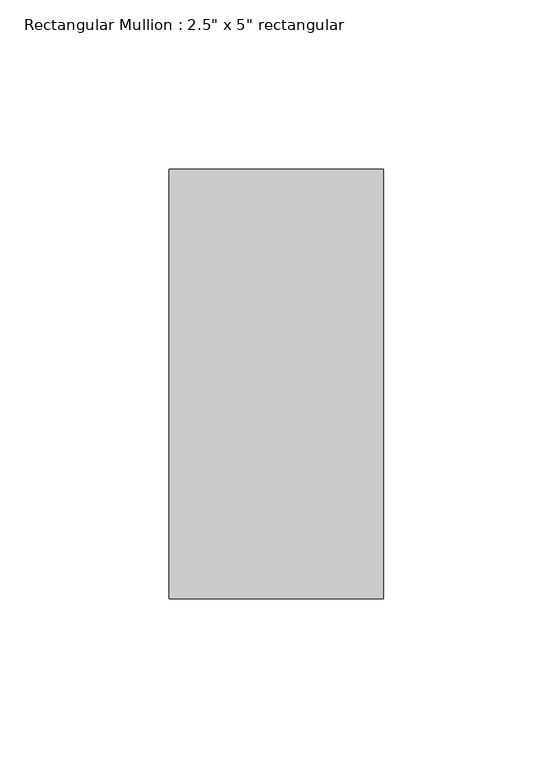
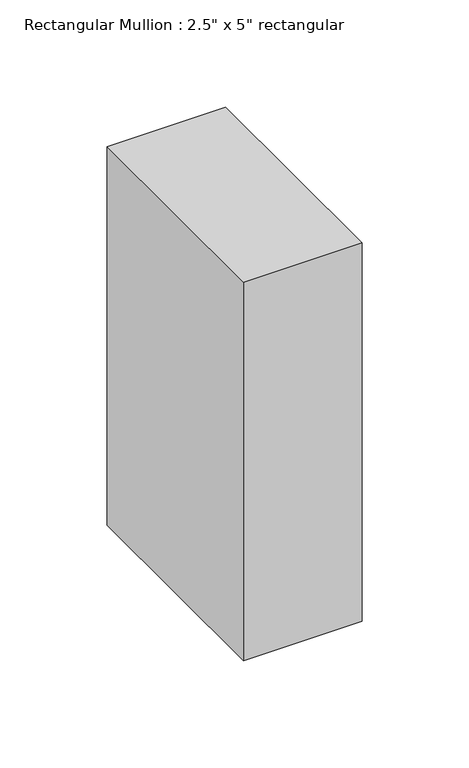
"""IFC4 building model written with IfcOpenShell, lengths in millimetres: member geometry."""

import ifcopenshell
import ifcopenshell.guid

model = None  # the IFC model being written
_history = None  # IfcOwnerHistory: only IFC2X3 demands one
_inside = {}  # id of a spatial element -> (the spatial element, [elements in it])
_under = {}  # id of a project, library or spatial element -> (it, [spatial elements below it])
_declared = {}  # id of a project -> (the project, [libraries it declares])
_typed = {}  # id of a type object -> (the type object, [elements of that type])
_made_of = {}  # id of a material, layer set ... -> (it, [elements and type objects made of it])


def new_model(schema):
    """Start an empty IFC model of exactly this schema.

    Asked for "IFC4X3", IfcOpenShell would pick the latest addendum, in which some entities
    have other attributes; the version numbers below select the first issue.
    IFC2X3 requires an IfcOwnerHistory on every rooted entity: one is made here for all.
    """
    global model, _history
    if schema == "IFC4X3":
        model = ifcopenshell.file(schema_version=(4, 3, 0, 0))
    else:
        model = ifcopenshell.file(schema=schema)
    _inside.clear()
    _under.clear()
    _declared.clear()
    _typed.clear()
    _made_of.clear()
    _history = None
    if model.schema == "IFC2X3":
        org = make("IfcOrganization", Name="unknown")
        user = make(
            "IfcPersonAndOrganization",
            ThePerson=make("IfcPerson", FamilyName="unknown"),
            TheOrganization=org,
        )
        app = make(
            "IfcApplication",
            ApplicationDeveloper=org,
            Version="unknown",
            ApplicationFullName="unknown",
            ApplicationIdentifier="unknown",
        )
        _history = make(
            "IfcOwnerHistory",
            OwningUser=user,
            OwningApplication=app,
            ChangeAction="ADDED",
            CreationDate=0,
        )
    return model


def make(cls, **values):
    """One entity of the class cls with the attributes given. An attribute that is None is left unset."""
    return model.create_entity(
        cls, **{name: value for name, value in values.items() if value is not None}
    )


def rooted(cls, **values):
    """An entity with a GlobalId (a new one), such as an element, a storey or a relation."""
    return make(cls, GlobalId=ifcopenshell.guid.new(), OwnerHistory=_history, **values)


def si_unit(unit_type, name, prefix=None):
    """IfcSIUnit, for example si_unit("LENGTHUNIT", "METRE", prefix="MILLI")."""
    return make("IfcSIUnit", UnitType=unit_type, Prefix=prefix, Name=name)


def assignment(units):
    """IfcUnitAssignment: the units of a project."""
    return None if units is None else make("IfcUnitAssignment", Units=units)


def point(xyz):
    """IfcCartesianPoint."""
    return None if xyz is None else make("IfcCartesianPoint", Coordinates=xyz)


def direction(xyz):
    """IfcDirection."""
    return None if xyz is None else make("IfcDirection", DirectionRatios=xyz)


def frame(location, z_axis=None, x_axis=None):
    """IfcAxis2Placement3D, a coordinate frame: its origin and axes. An axis left out is left unset."""
    return make(
        "IfcAxis2Placement3D",
        Location=point(location),
        Axis=direction(z_axis),
        RefDirection=direction(x_axis),
    )


def origin():
    """The frame at (0, 0, 0) with its axes left unset."""
    return frame((0.0, 0.0, 0.0))


def place(relative_to, where):
    """IfcLocalPlacement: puts the frame where relative to a parent placement (None: the world)."""
    return make(
        "IfcLocalPlacement", PlacementRelTo=relative_to, RelativePlacement=where
    )


def context(
    kind, dimensions, precision=None, world=None, true_north=None, identifier=None
):
    """IfcGeometricRepresentationContext, for example the 3D "Model" context."""
    return make(
        "IfcGeometricRepresentationContext",
        ContextIdentifier=identifier,
        ContextType=kind,
        CoordinateSpaceDimension=dimensions,
        Precision=precision,
        WorldCoordinateSystem=world,
        TrueNorth=true_north,
    )


def project(units=None, contexts=None):
    """IfcProject with its units and contexts."""
    return rooted(
        "IfcProject",
        Name="project",
        RepresentationContexts=contexts,
        UnitsInContext=assignment(units),
    )


def spatial(cls, under=None, at=None, **own):
    """A site, building, storey or space (cls), placed at a placement, below another one or the project."""
    s = rooted(cls, ObjectPlacement=at, **own)
    if under is not None:
        _under.setdefault(under.id(), (under, []))[1].append(s)
    return s


def polyline(points):
    """IfcPolyline through the points."""
    return make("IfcPolyline", Points=[point(p) for p in points])


def outline(outer, holes=None, kind="AREA"):
    """IfcArbitraryClosedProfileDef: a profile drawn as a closed curve; with holes, ...WithVoids."""
    if holes is None:
        return make("IfcArbitraryClosedProfileDef", ProfileType=kind, OuterCurve=outer)
    return make(
        "IfcArbitraryProfileDefWithVoids",
        ProfileType=kind,
        OuterCurve=outer,
        InnerCurves=holes,
    )


def extrude(swept, where, along, depth):
    """IfcExtrudedAreaSolid: the profile swept, set in the frame where, extruded along a direction by depth."""
    return make(
        "IfcExtrudedAreaSolid",
        SweptArea=swept,
        Position=where,
        ExtrudedDirection=direction(along),
        Depth=depth,
    )


def shape(context_of_items, identifier, shape_type, items):
    """IfcShapeRepresentation: the items that make up one representation, for example the "Body"."""
    return make(
        "IfcShapeRepresentation",
        ContextOfItems=context_of_items,
        RepresentationIdentifier=identifier,
        RepresentationType=shape_type,
        Items=items,
    )


def source(mapping_origin, context_of_items, identifier, shape_type, items):
    """IfcRepresentationMap: a shape defined once, which mapped items show again and again."""
    return make(
        "IfcRepresentationMap",
        MappingOrigin=mapping_origin,
        MappedRepresentation=shape(context_of_items, identifier, shape_type, items),
    )


def transform(
    local_origin,
    x_axis=None,
    y_axis=None,
    z_axis=None,
    scale=None,
    scale2=None,
    scale3=None,
    uniform=True,
):
    """IfcCartesianTransformationOperator3D, or its non-uniform kind. x_axis, y_axis, z_axis: its Axis1, 2, 3."""
    if uniform:
        return make(
            "IfcCartesianTransformationOperator3D",
            Axis1=direction(x_axis),
            Axis2=direction(y_axis),
            LocalOrigin=point(local_origin),
            Scale=scale,
            Axis3=direction(z_axis),
        )
    return make(
        "IfcCartesianTransformationOperator3DnonUniform",
        Axis1=direction(x_axis),
        Axis2=direction(y_axis),
        LocalOrigin=point(local_origin),
        Scale=scale,
        Axis3=direction(z_axis),
        Scale2=scale2,
        Scale3=scale3,
    )


def mapped(mapping_source, mapping_target):
    """IfcMappedItem: shows the shape of a source again, moved by a transform."""
    return make(
        "IfcMappedItem", MappingSource=mapping_source, MappingTarget=mapping_target
    )


def made_of(thing, what):
    """Note that an element or type object is made of a material, layer set ...; save() writes the relation."""
    if what is not None:
        _made_of.setdefault(what.id(), (what, []))[1].append(thing)
    return thing


def element(
    cls,
    number,
    at=None,
    inside=None,
    cuts=None,
    type_object=None,
    material=None,
    context=None,
    identifier="Body",
    shape_type=None,
    held_by="IfcProductDefinitionShape",
    body=None,
    shapes=None,
    **own,
):
    """One element of the class cls, such as IfcWall. Its Tag is "e" and its number.

    at: its placement. inside: the storey or other place that contains it. cuts: it is an
    opening in that element (IfcRelVoidsElement). A single representation is given by context,
    identifier, shape_type and body (its items); several are given by shapes. held_by: the class
    of the entity that holds the representations. save() writes the other relations.
    """
    e = rooted(cls, Tag="e%d" % number, ObjectPlacement=at, **own)
    if body is not None:
        shapes = [shape(context, identifier, shape_type, body)]
    if shapes is not None:
        e.Representation = make(held_by, Representations=shapes)
    if inside is not None:
        _inside.setdefault(inside.id(), (inside, []))[1].append(e)
    if cuts is not None:
        rooted(
            "IfcRelVoidsElement", RelatingBuildingElement=cuts, RelatedOpeningElement=e
        )
    if type_object is not None:
        _typed.setdefault(type_object.id(), (type_object, []))[1].append(e)
    return made_of(e, material)


def aggregate(whole, parts):
    """IfcRelAggregates: a whole, such as a stair, and the parts it consists of."""
    return rooted("IfcRelAggregates", RelatingObject=whole, RelatedObjects=parts)


def save(model, path):
    """Write the relations noted so far, then the file.

    IfcRelAggregates (storeys below a building ...), IfcRelContainedInSpatialStructure (elements
    in a storey), IfcRelDefinesByType, IfcRelAssociatesMaterial and IfcRelDeclares: one each for
    every whole, place, type object, material and project.
    """
    for whole, parts in _under.values():
        aggregate(whole, parts)
    for where, things in _inside.values():
        rooted(
            "IfcRelContainedInSpatialStructure",
            RelatedElements=things,
            RelatingStructure=where,
        )
    for kind, things in _typed.values():
        rooted("IfcRelDefinesByType", RelatedObjects=things, RelatingType=kind)
    for what, things in _made_of.values():
        rooted("IfcRelAssociatesMaterial", RelatedObjects=things, RelatingMaterial=what)
    for by, libraries in _declared.values():
        rooted("IfcRelDeclares", RelatingContext=by, RelatedDefinitions=libraries)
    model.write(path)


def member_e92e6fa7(model_context):
    return source(origin(), model_context, "Body", "SweptSolid", [
        extrude(outline(polyline([(0.0, 63.5), (0.0, -63.5), (-63.5, -63.5), (-63.5, 63.5), (0.0, 63.5)])), frame((0.0, 0.0, -214.9928571), z_axis=(0.0, 0.0, 1.0), x_axis=(1.0, 0.0, 0.0)), (0.0, 0.0, 1.0), 214.9928571),
    ])


if __name__ == "__main__":
    model = new_model("IFC4")
    model_context = context("Model", 3, world=origin())
    ifc_project = project(units=[si_unit("LENGTHUNIT", "METRE", prefix="MILLI")], contexts=[model_context])
    site = spatial("IfcSite", under=ifc_project)
    building = spatial("IfcBuilding", under=site)
    placement = place(None, origin())
    member_shape = member_e92e6fa7(model_context)
    element("IfcMember", 1, ObjectType="Rectangular Mullion : 2.5\" x 5\" rectangular", at=placement, inside=building, context=model_context, shape_type="MappedRepresentation", body=[
        mapped(member_shape, transform((0.0, 0.0, 0.0), x_axis=(1.0, 0.0, 0.0), y_axis=(0.0, 1.0, 0.0), z_axis=(0.0, 0.0, 1.0))),
    ])
    save(model, "model.ifc")
